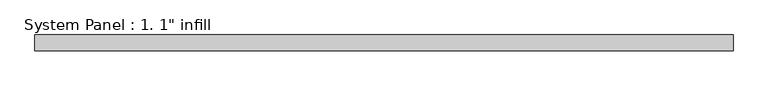
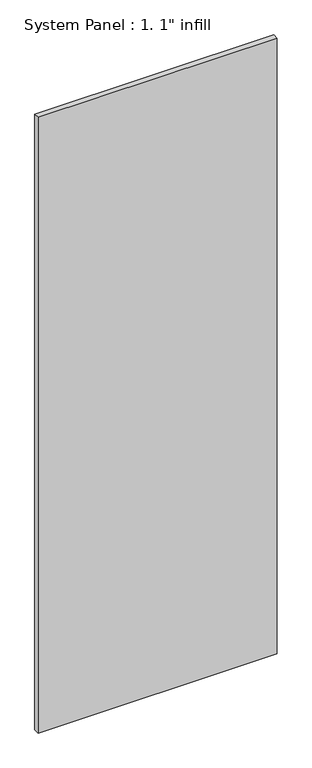
"""IFC4 building model written with IfcOpenShell, lengths in millimetres: plate geometry."""

import ifcopenshell
import ifcopenshell.guid

model = None  # the IFC model being written
_history = None  # IfcOwnerHistory: only IFC2X3 demands one
_inside = {}  # id of a spatial element -> (the spatial element, [elements in it])
_under = {}  # id of a project, library or spatial element -> (it, [spatial elements below it])
_declared = {}  # id of a project -> (the project, [libraries it declares])
_typed = {}  # id of a type object -> (the type object, [elements of that type])
_made_of = {}  # id of a material, layer set ... -> (it, [elements and type objects made of it])


def new_model(schema):
    """Start an empty IFC model of exactly this schema.

    Asked for "IFC4X3", IfcOpenShell would pick the latest addendum, in which some entities
    have other attributes; the version numbers below select the first issue.
    IFC2X3 requires an IfcOwnerHistory on every rooted entity: one is made here for all.
    """
    global model, _history
    if schema == "IFC4X3":
        model = ifcopenshell.file(schema_version=(4, 3, 0, 0))
    else:
        model = ifcopenshell.file(schema=schema)
    _inside.clear()
    _under.clear()
    _declared.clear()
    _typed.clear()
    _made_of.clear()
    _history = None
    if model.schema == "IFC2X3":
        org = make("IfcOrganization", Name="unknown")
        user = make(
            "IfcPersonAndOrganization",
            ThePerson=make("IfcPerson", FamilyName="unknown"),
            TheOrganization=org,
        )
        app = make(
            "IfcApplication",
            ApplicationDeveloper=org,
            Version="unknown",
            ApplicationFullName="unknown",
            ApplicationIdentifier="unknown",
        )
        _history = make(
            "IfcOwnerHistory",
            OwningUser=user,
            OwningApplication=app,
            ChangeAction="ADDED",
            CreationDate=0,
        )
    return model


def make(cls, **values):
    """One entity of the class cls with the attributes given. An attribute that is None is left unset."""
    return model.create_entity(
        cls, **{name: value for name, value in values.items() if value is not None}
    )


def rooted(cls, **values):
    """An entity with a GlobalId (a new one), such as an element, a storey or a relation."""
    return make(cls, GlobalId=ifcopenshell.guid.new(), OwnerHistory=_history, **values)


def si_unit(unit_type, name, prefix=None):
    """IfcSIUnit, for example si_unit("LENGTHUNIT", "METRE", prefix="MILLI")."""
    return make("IfcSIUnit", UnitType=unit_type, Prefix=prefix, Name=name)


def assignment(units):
    """IfcUnitAssignment: the units of a project."""
    return None if units is None else make("IfcUnitAssignment", Units=units)


def point(xyz):
    """IfcCartesianPoint."""
    return None if xyz is None else make("IfcCartesianPoint", Coordinates=xyz)


def direction(xyz):
    """IfcDirection."""
    return None if xyz is None else make("IfcDirection", DirectionRatios=xyz)


def frame(location, z_axis=None, x_axis=None):
    """IfcAxis2Placement3D, a coordinate frame: its origin and axes. An axis left out is left unset."""
    return make(
        "IfcAxis2Placement3D",
        Location=point(location),
        Axis=direction(z_axis),
        RefDirection=direction(x_axis),
    )


def origin():
    """The frame at (0, 0, 0) with its axes left unset."""
    return frame((0.0, 0.0, 0.0))


def origin_with_axes():
    """The frame at (0, 0, 0) with the z axis (0, 0, 1) and the x axis (1, 0, 0) written out."""
    return frame((0.0, 0.0, 0.0), z_axis=(0.0, 0.0, 1.0), x_axis=(1.0, 0.0, 0.0))


def place(relative_to, where):
    """IfcLocalPlacement: puts the frame where relative to a parent placement (None: the world)."""
    return make(
        "IfcLocalPlacement", PlacementRelTo=relative_to, RelativePlacement=where
    )


def context(
    kind, dimensions, precision=None, world=None, true_north=None, identifier=None
):
    """IfcGeometricRepresentationContext, for example the 3D "Model" context."""
    return make(
        "IfcGeometricRepresentationContext",
        ContextIdentifier=identifier,
        ContextType=kind,
        CoordinateSpaceDimension=dimensions,
        Precision=precision,
        WorldCoordinateSystem=world,
        TrueNorth=true_north,
    )


def project(units=None, contexts=None):
    """IfcProject with its units and contexts."""
    return rooted(
        "IfcProject",
        Name="project",
        RepresentationContexts=contexts,
        UnitsInContext=assignment(units),
    )


def spatial(cls, under=None, at=None, **own):
    """A site, building, storey or space (cls), placed at a placement, below another one or the project."""
    s = rooted(cls, ObjectPlacement=at, **own)
    if under is not None:
        _under.setdefault(under.id(), (under, []))[1].append(s)
    return s


def polyline(points):
    """IfcPolyline through the points."""
    return make("IfcPolyline", Points=[point(p) for p in points])


def outline(outer, holes=None, kind="AREA"):
    """IfcArbitraryClosedProfileDef: a profile drawn as a closed curve; with holes, ...WithVoids."""
    if holes is None:
        return make("IfcArbitraryClosedProfileDef", ProfileType=kind, OuterCurve=outer)
    return make(
        "IfcArbitraryProfileDefWithVoids",
        ProfileType=kind,
        OuterCurve=outer,
        InnerCurves=holes,
    )


def extrude(swept, where, along, depth):
    """IfcExtrudedAreaSolid: the profile swept, set in the frame where, extruded along a direction by depth."""
    return make(
        "IfcExtrudedAreaSolid",
        SweptArea=swept,
        Position=where,
        ExtrudedDirection=direction(along),
        Depth=depth,
    )


def shape(context_of_items, identifier, shape_type, items):
    """IfcShapeRepresentation: the items that make up one representation, for example the "Body"."""
    return make(
        "IfcShapeRepresentation",
        ContextOfItems=context_of_items,
        RepresentationIdentifier=identifier,
        RepresentationType=shape_type,
        Items=items,
    )


def source(mapping_origin, context_of_items, identifier, shape_type, items):
    """IfcRepresentationMap: a shape defined once, which mapped items show again and again."""
    return make(
        "IfcRepresentationMap",
        MappingOrigin=mapping_origin,
        MappedRepresentation=shape(context_of_items, identifier, shape_type, items),
    )


def transform(
    local_origin,
    x_axis=None,
    y_axis=None,
    z_axis=None,
    scale=None,
    scale2=None,
    scale3=None,
    uniform=True,
):
    """IfcCartesianTransformationOperator3D, or its non-uniform kind. x_axis, y_axis, z_axis: its Axis1, 2, 3."""
    if uniform:
        return make(
            "IfcCartesianTransformationOperator3D",
            Axis1=direction(x_axis),
            Axis2=direction(y_axis),
            LocalOrigin=point(local_origin),
            Scale=scale,
            Axis3=direction(z_axis),
        )
    return make(
        "IfcCartesianTransformationOperator3DnonUniform",
        Axis1=direction(x_axis),
        Axis2=direction(y_axis),
        LocalOrigin=point(local_origin),
        Scale=scale,
        Axis3=direction(z_axis),
        Scale2=scale2,
        Scale3=scale3,
    )


def mapped(mapping_source, mapping_target):
    """IfcMappedItem: shows the shape of a source again, moved by a transform."""
    return make(
        "IfcMappedItem", MappingSource=mapping_source, MappingTarget=mapping_target
    )


def made_of(thing, what):
    """Note that an element or type object is made of a material, layer set ...; save() writes the relation."""
    if what is not None:
        _made_of.setdefault(what.id(), (what, []))[1].append(thing)
    return thing


def element(
    cls,
    number,
    at=None,
    inside=None,
    cuts=None,
    type_object=None,
    material=None,
    context=None,
    identifier="Body",
    shape_type=None,
    held_by="IfcProductDefinitionShape",
    body=None,
    shapes=None,
    **own,
):
    """One element of the class cls, such as IfcWall. Its Tag is "e" and its number.

    at: its placement. inside: the storey or other place that contains it. cuts: it is an
    opening in that element (IfcRelVoidsElement). A single representation is given by context,
    identifier, shape_type and body (its items); several are given by shapes. held_by: the class
    of the entity that holds the representations. save() writes the other relations.
    """
    e = rooted(cls, Tag="e%d" % number, ObjectPlacement=at, **own)
    if body is not None:
        shapes = [shape(context, identifier, shape_type, body)]
    if shapes is not None:
        e.Representation = make(held_by, Representations=shapes)
    if inside is not None:
        _inside.setdefault(inside.id(), (inside, []))[1].append(e)
    if cuts is not None:
        rooted(
            "IfcRelVoidsElement", RelatingBuildingElement=cuts, RelatedOpeningElement=e
        )
    if type_object is not None:
        _typed.setdefault(type_object.id(), (type_object, []))[1].append(e)
    return made_of(e, material)


def aggregate(whole, parts):
    """IfcRelAggregates: a whole, such as a stair, and the parts it consists of."""
    return rooted("IfcRelAggregates", RelatingObject=whole, RelatedObjects=parts)


def save(model, path):
    """Write the relations noted so far, then the file.

    IfcRelAggregates (storeys below a building ...), IfcRelContainedInSpatialStructure (elements
    in a storey), IfcRelDefinesByType, IfcRelAssociatesMaterial and IfcRelDeclares: one each for
    every whole, place, type object, material and project.
    """
    for whole, parts in _under.values():
        aggregate(whole, parts)
    for where, things in _inside.values():
        rooted(
            "IfcRelContainedInSpatialStructure",
            RelatedElements=things,
            RelatingStructure=where,
        )
    for kind, things in _typed.values():
        rooted("IfcRelDefinesByType", RelatedObjects=things, RelatingType=kind)
    for what, things in _made_of.values():
        rooted("IfcRelAssociatesMaterial", RelatedObjects=things, RelatingMaterial=what)
    for by, libraries in _declared.values():
        rooted("IfcRelDeclares", RelatingContext=by, RelatedDefinitions=libraries)
    model.write(path)


def plate_06d2a564(model_context):
    return source(origin(), model_context, "Body", "SweptSolid", [
        extrude(outline(polyline([(560.3875, -12.7), (-560.3875, -12.7), (-560.3875, 12.7), (560.3875, 12.7), (560.3875, -12.7)])), origin_with_axes(), (0.0, 0.0, 1.0), 3048.0),
    ])


if __name__ == "__main__":
    model = new_model("IFC4")
    model_context = context("Model", 3, world=origin())
    ifc_project = project(units=[si_unit("LENGTHUNIT", "METRE", prefix="MILLI")], contexts=[model_context])
    site = spatial("IfcSite", under=ifc_project)
    building = spatial("IfcBuilding", under=site)
    placement = place(None, origin())
    plate_shape = plate_06d2a564(model_context)
    element("IfcPlate", 1, ObjectType="System Panel : 1. 1\" infill", at=placement, inside=building, context=model_context, shape_type="MappedRepresentation", body=[
        mapped(plate_shape, transform((0.0, 0.0, 0.0), x_axis=(1.0, 0.0, 0.0), y_axis=(0.0, 1.0, 0.0), z_axis=(0.0, 0.0, 1.0))),
    ])
    save(model, "model.ifc")
